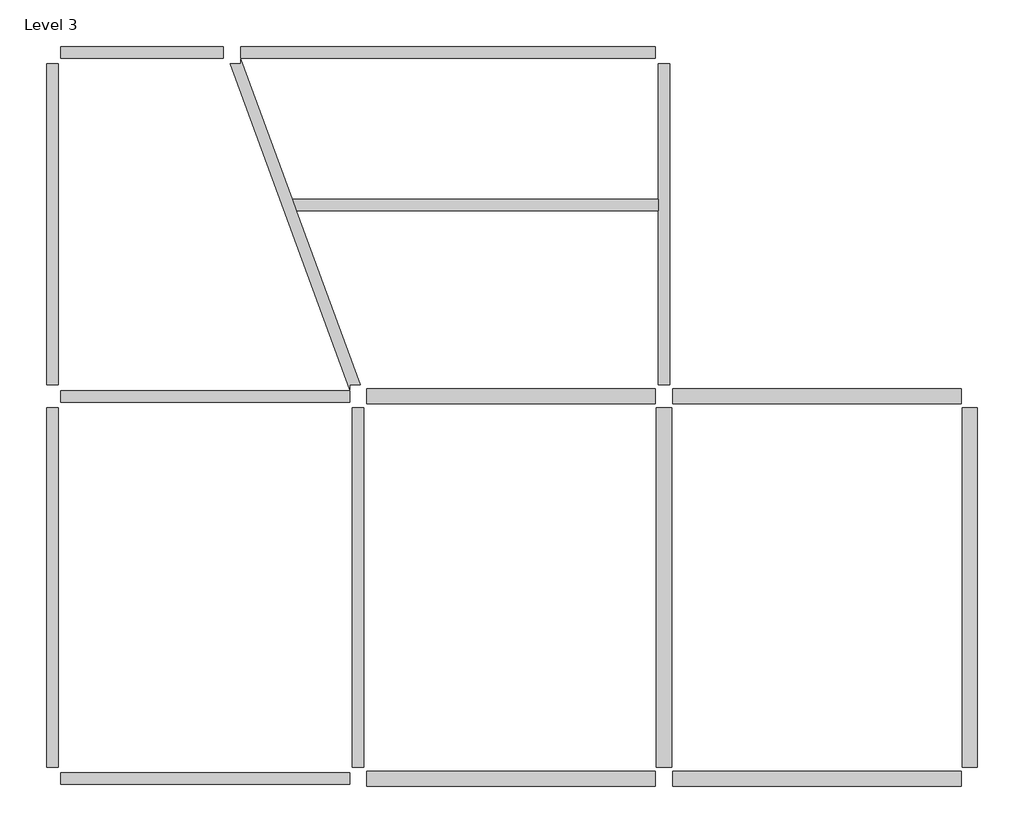
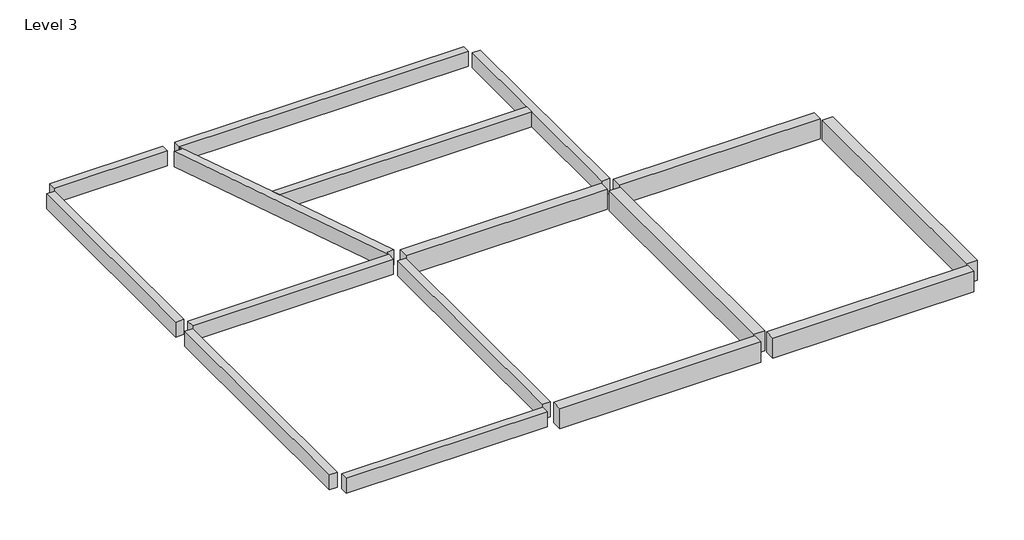
# One storey: 16 beams.
"""IFC4 building model written with IfcOpenShell, lengths in millimetres."""

from ifc_helpers import new_model, si_unit, frame, origin, place, context, project, spatial, polyline, outline, extrude, faceted_brep, element, save

model = new_model("IFC4")

# Units and contexts
model_context = context("Model", 3, world=origin())
ifc_project = project(units=[si_unit("LENGTHUNIT", "METRE", prefix="MILLI")], contexts=[model_context])

# Site, building, storey
site = spatial("IfcSite", under=ifc_project)
building = spatial("IfcBuilding", under=site)
storey = spatial("IfcBuildingStorey", under=building, Name="Level 3", Elevation=6000.0)

# Beams
placement = place(None, origin())
element("IfcBeam", 1, ObjectType="M_Concrete-Rectangular Beam : 300 x 600mm", at=placement, inside=storey, context=model_context, shape_type="SweptSolid", body=[
    extrude(outline(polyline([(-11651.6415443, 56.7220145), (-11351.6415443, 56.7220145), (-11351.6415443, -9343.2779855), (-11651.6415443, -9343.2779855), (-11651.6415443, 56.7220145)])), frame((0.0, 0.0, 5400.0), z_axis=(0.0, 0.0, 1.0), x_axis=(1.0, 0.0, 0.0)), (0.0, 0.0, 1.0), 600.0),
])
element("IfcBeam", 2, ObjectType="M_Concrete-Rectangular Beam : 300 x 600mm", at=placement, inside=storey, context=model_context, shape_type="SweptSolid", body=[
    extrude(outline(polyline([(-3651.6415443, 56.7220145), (-3351.6415443, 56.7220145), (-3351.6415443, -9343.2779855), (-3651.6415443, -9343.2779855), (-3651.6415443, 56.7220145)])), frame((0.0, 0.0, 5400.0), z_axis=(0.0, 0.0, 1.0), x_axis=(1.0, 0.0, 0.0)), (0.0, 0.0, 1.0), 600.0),
])
element("IfcBeam", 3, ObjectType="M_Concrete-Rectangular Beam : 300 x 600mm", at=placement, inside=storey, context=model_context, shape_type="SweptSolid", body=[
    extrude(outline(polyline([(-11276.6415443, 206.7220145), (-11276.6415443, 506.7220145), (-3726.6415443, 506.7220145), (-3726.6415443, 206.7220145), (-11276.6415443, 206.7220145)])), frame((0.0, 0.0, 5400.0), z_axis=(0.0, 0.0, 1.0), x_axis=(1.0, 0.0, 0.0)), (0.0, 0.0, 1.0), 600.0),
])
element("IfcBeam", 4, ObjectType="M_Concrete-Rectangular Beam : 300 x 600mm", at=placement, inside=storey, context=model_context, shape_type="SweptSolid", body=[
    extrude(outline(polyline([(-11276.6415443, -9793.2779855), (-11276.6415443, -9493.2779855), (-3726.6415443, -9493.2779855), (-3726.6415443, -9793.2779855), (-11276.6415443, -9793.2779855)])), frame((0.0, 0.0, 5400.0), z_axis=(0.0, 0.0, 1.0), x_axis=(1.0, 0.0, 0.0)), (0.0, 0.0, 1.0), 600.0),
])
element("IfcBeam", 5, ObjectType="M_Concrete-Rectangular Beam : 300 x 600mm", at=placement, inside=storey, context=model_context, shape_type="SweptSolid", body=[
    extrude(outline(polyline([(-11351.6415443, 656.7220145), (-11651.6415443, 656.7220145), (-11651.6415443, 9056.7220145), (-11351.6415443, 9056.7220145), (-11351.6415443, 656.7220145)])), frame((0.0, 0.0, 5400.0), z_axis=(0.0, 0.0, 1.0), x_axis=(1.0, 0.0, 0.0)), (0.0, 0.0, 1.0), 600.0),
])
element("IfcBeam", 6, ObjectType="M_Concrete-Rectangular Beam : 300 x 600mm", at=placement, inside=storey, context=model_context, shape_type="SweptSolid", body=[
    extrude(outline(polyline([(-11276.6415443, 9206.7220145), (-11276.6415443, 9506.7220145), (-7026.6415443, 9506.7220145), (-7026.6415443, 9206.7220145), (-11276.6415443, 9206.7220145)])), frame((0.0, 0.0, 5400.0), z_axis=(0.0, 0.0, 1.0), x_axis=(1.0, 0.0, 0.0)), (0.0, 0.0, 1.0), 600.0),
])
element("IfcBeam", 7, ObjectType="M_Concrete-Rectangular Beam : 300 x 600mm", at=placement, inside=storey, context=model_context, shape_type="Brep", body=[
    faceted_brep([(-3726.6415443, 534.6344151, 6000.0), (-3726.6415443, 656.7220145, 6000.0), (-3451.8760912, 656.7220145, 6000.0), (-5120.2094246, 5206.7220145, 6000.0), (-5230.2094246, 5506.7220145, 6000.0), (-6576.6415443, 9178.8096138, 6000.0), (-6576.6415443, 9056.7220145, 6000.0), (-6851.4069974, 9056.7220145, 6000.0), (-3726.6415443, 534.6344151, 5400.0), (-6851.4069974, 9056.7220145, 5400.0), (-3726.6415443, 656.7220145, 5400.0), (-6576.6415443, 9056.7220145, 5400.0), (-6576.6415443, 9178.8096138, 5400.0), (-5230.2094246, 5506.7220145, 5400.0), (-5120.2094246, 5206.7220145, 5400.0), (-3451.8760912, 656.7220145, 5400.0)], [[[0, 1, 2, 3, 4, 5, 6, 7]], [[8, 0, 7, 9]], [[10, 8, 9, 11, 12, 13, 14, 15]], [[2, 15, 14, 13, 12, 5, 4, 3]], [[10, 1, 0, 8]], [[1, 10, 15, 2]], [[11, 6, 5, 12]], [[6, 11, 9, 7]]]),
])
element("IfcBeam", 8, ObjectType="M_Concrete-Rectangular Beam : 300 x 600mm", at=placement, inside=storey, context=model_context, shape_type="SweptSolid", body=[
    extrude(outline(polyline([(-6576.6415443, 9206.7220145), (-6576.6415443, 9506.7220145), (4273.3584557, 9506.7220145), (4273.3584557, 9206.7220145), (-6576.6415443, 9206.7220145)])), frame((0.0, 0.0, 5400.0), z_axis=(0.0, 0.0, 1.0), x_axis=(1.0, 0.0, 0.0)), (0.0, 0.0, 1.0), 600.0),
])
element("IfcBeam", 9, ObjectType="M_Concrete-Rectangular Beam : 300 x 600mm", at=placement, inside=storey, context=model_context, shape_type="Brep", body=[
    faceted_brep([(4348.3584557, 656.7220145, 6000.0), (4648.3584557, 656.7220145, 6000.0), (4648.3584557, 9056.7220145, 6000.0), (4348.3584557, 9056.7220145, 6000.0), (4348.3584557, 5506.7220145, 6000.0), (4348.3584557, 5206.7220145, 6000.0), (4648.3584557, 656.7220145, 5400.0), (4648.3584557, 9056.7220145, 5400.0), (4348.3584557, 656.7220145, 5400.0), (4348.3584557, 5206.7220145, 5400.0), (4348.3584557, 5506.7220145, 5400.0), (4348.3584557, 9056.7220145, 5400.0)], [[[0, 1, 2, 3, 4, 5]], [[1, 6, 7, 2]], [[6, 8, 9, 10, 11, 7]], [[8, 0, 5, 4, 3, 11, 10, 9]], [[1, 0, 8, 6]], [[3, 2, 7, 11]]]),
])
element("IfcBeam", 10, ObjectType="M_Concrete-Rectangular Beam : 300 x 600mm", at=placement, inside=storey, context=model_context, shape_type="SweptSolid", body=[
    extrude(outline(polyline([(-5120.2094246, 5206.7220145), (-5230.2094246, 5506.7220145), (4348.3584557, 5506.7220145), (4348.3584557, 5206.7220145), (-5120.2094246, 5206.7220145)])), frame((0.0, 0.0, 5400.0), z_axis=(0.0, 0.0, 1.0), x_axis=(1.0, 0.0, 0.0)), (0.0, 0.0, 1.0), 600.0),
])
element("IfcBeam", 11, ObjectType="M_Concrete-Rectangular Beam : 400 x 800mm", at=placement, inside=storey, context=model_context, shape_type="SweptSolid", body=[
    extrude(outline(polyline([(4698.3584557, -9343.2779855), (4298.3584557, -9343.2779855), (4298.3584557, 56.7220145), (4698.3584557, 56.7220145), (4698.3584557, -9343.2779855)])), frame((0.0, 0.0, 5200.0), z_axis=(0.0, 0.0, 1.0), x_axis=(1.0, 0.0, 0.0)), (0.0, 0.0, 1.0), 800.0),
])
element("IfcBeam", 12, ObjectType="M_Concrete-Rectangular Beam : 400 x 800mm", at=placement, inside=storey, context=model_context, shape_type="SweptSolid", body=[
    extrude(outline(polyline([(12698.3584557, -9343.2779855), (12298.3584557, -9343.2779855), (12298.3584557, 56.7220145), (12698.3584557, 56.7220145), (12698.3584557, -9343.2779855)])), frame((0.0, 0.0, 5200.0), z_axis=(0.0, 0.0, 1.0), x_axis=(1.0, 0.0, 0.0)), (0.0, 0.0, 1.0), 800.0),
])
element("IfcBeam", 13, ObjectType="M_Concrete-Rectangular Beam : 400 x 800mm", at=placement, inside=storey, context=model_context, shape_type="SweptSolid", body=[
    extrude(outline(polyline([(-3276.6415443, 156.7220145), (-3276.6415443, 556.7220145), (4273.3584557, 556.7220145), (4273.3584557, 156.7220145), (-3276.6415443, 156.7220145)])), frame((0.0, 0.0, 5200.0), z_axis=(0.0, 0.0, 1.0), x_axis=(1.0, 0.0, 0.0)), (0.0, 0.0, 1.0), 800.0),
])
element("IfcBeam", 14, ObjectType="M_Concrete-Rectangular Beam : 400 x 800mm", at=placement, inside=storey, context=model_context, shape_type="SweptSolid", body=[
    extrude(outline(polyline([(4723.3584557, 156.7220145), (4723.3584557, 556.7220145), (12273.3584557, 556.7220145), (12273.3584557, 156.7220145), (4723.3584557, 156.7220145)])), frame((0.0, 0.0, 5200.0), z_axis=(0.0, 0.0, 1.0), x_axis=(1.0, 0.0, 0.0)), (0.0, 0.0, 1.0), 800.0),
])
element("IfcBeam", 15, ObjectType="M_Concrete-Rectangular Beam : 400 x 800mm", at=placement, inside=storey, context=model_context, shape_type="SweptSolid", body=[
    extrude(outline(polyline([(-3276.6415443, -9843.2779855), (-3276.6415443, -9443.2779855), (4273.3584557, -9443.2779855), (4273.3584557, -9843.2779855), (-3276.6415443, -9843.2779855)])), frame((0.0, 0.0, 5200.0), z_axis=(0.0, 0.0, 1.0), x_axis=(1.0, 0.0, 0.0)), (0.0, 0.0, 1.0), 800.0),
])
element("IfcBeam", 16, ObjectType="M_Concrete-Rectangular Beam : 400 x 800mm", at=placement, inside=storey, context=model_context, shape_type="SweptSolid", body=[
    extrude(outline(polyline([(4723.3584557, -9843.2779855), (4723.3584557, -9443.2779855), (12273.3584557, -9443.2779855), (12273.3584557, -9843.2779855), (4723.3584557, -9843.2779855)])), frame((0.0, 0.0, 5200.0), z_axis=(0.0, 0.0, 1.0), x_axis=(1.0, 0.0, 0.0)), (0.0, 0.0, 1.0), 800.0),
])

save(model, "model.ifc")
